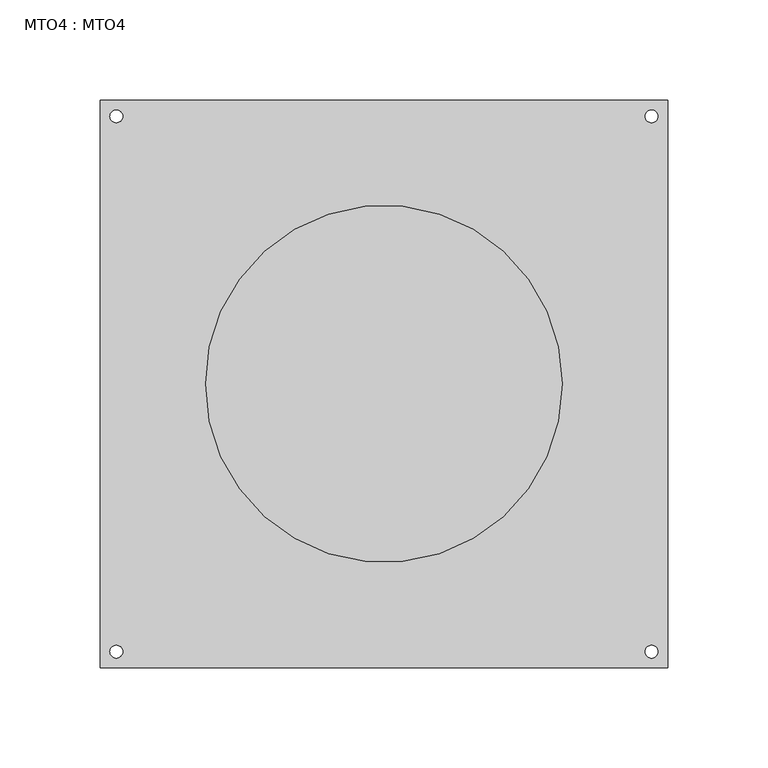
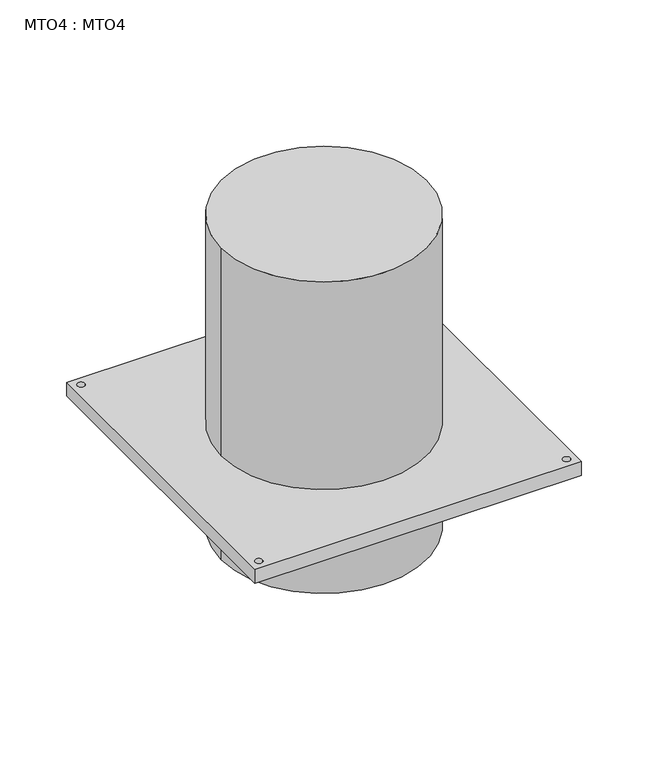
"""IFC4 building model written with IfcOpenShell, lengths in millimetres: proxy geometry, MTO4 : MTO4."""

from ifc_helpers import new_model, si_unit, point, frame, frame_2d, origin, origin_with_axes, origin_2d, place, context, project, spatial, polyline, circle_curve, trimmed, segment, composite_curve, outline, extrude, source, transform, mapped, element, save


def mto4_mto4_1b3fe28a(model_context):
    return source(origin(), model_context, "Body", "SweptSolid", [
        extrude(outline(composite_curve([segment(trimmed(circle_curve(origin_2d(), 50.8), [point((-50.8, 0.0))], [point((50.8, 0.0))], False, "CARTESIAN"), True, "CONTINUOUS"), segment(trimmed(circle_curve(origin_2d(), 50.8), [point((50.8, 0.0))], [point((-50.8, 0.0))], False, "CARTESIAN"), True, "CONTINUOUS")], self_intersect=False)), frame((0.0, 0.0, -107.95), z_axis=(0.0, 0.0, 1.0), x_axis=(1.0, 0.0, 0.0)), (0.0, 0.0, 1.0), 25.4),
        extrude(outline(composite_curve([segment(trimmed(circle_curve(origin_2d(), 88.8999965), [point((-88.8999965, 0.0))], [point((88.8999965, 0.0))], False, "CARTESIAN"), True, "CONTINUOUS"), segment(trimmed(circle_curve(origin_2d(), 88.8999965), [point((88.8999965, 0.0))], [point((-88.8999965, 0.0))], False, "CARTESIAN"), True, "CONTINUOUS")], self_intersect=False)), frame((0.0, 0.0, -82.55), z_axis=(0.0, 0.0, 1.0), x_axis=(1.0, 0.0, 0.0)), (0.0, 0.0, 1.0), 82.55),
        extrude(outline(composite_curve([segment(trimmed(circle_curve(origin_2d(), 88.8999965), [point((-88.8999965, 0.0))], [point((88.8999965, 0.0))], False, "CARTESIAN"), True, "CONTINUOUS"), segment(trimmed(circle_curve(origin_2d(), 88.8999965), [point((88.8999965, 0.0))], [point((-88.8999965, 0.0))], False, "CARTESIAN"), True, "CONTINUOUS")], self_intersect=False)), frame((0.0, 0.0, 12.7), z_axis=(0.0, 0.0, 1.0), x_axis=(1.0, 0.0, 0.0)), (0.0, 0.0, 1.0), 190.5),
        extrude(outline(polyline([(141.2875, 141.2875), (141.2875, -141.2875), (-141.2875, -141.2875), (-141.2875, 141.2875), (141.2875, 141.2875)]), holes=[composite_curve([segment(trimmed(circle_curve(frame_2d((133.3499947, 133.3499947)), 3.1749999), [point((130.1749948, 133.3499947))], [point((136.5249946, 133.3499947))], True, "CARTESIAN"), True, "CONTINUOUS"), segment(trimmed(circle_curve(frame_2d((133.3499947, 133.3499947)), 3.1749999), [point((136.5249946, 133.3499947))], [point((130.1749948, 133.3499947))], True, "CARTESIAN"), True, "CONTINUOUS")], self_intersect=False), composite_curve([segment(trimmed(circle_curve(frame_2d((-133.3499947, 133.3499947)), 3.1749999), [point((-136.5249946, 133.3499947))], [point((-130.1749948, 133.3499947))], True, "CARTESIAN"), True, "CONTINUOUS"), segment(trimmed(circle_curve(frame_2d((-133.3499947, 133.3499947)), 3.1749999), [point((-130.1749948, 133.3499947))], [point((-136.5249946, 133.3499947))], True, "CARTESIAN"), True, "CONTINUOUS")], self_intersect=False), composite_curve([segment(trimmed(circle_curve(frame_2d((-133.3499947, -133.3499947)), 3.1749999), [point((-136.5249946, -133.3499947))], [point((-130.1749948, -133.3499947))], True, "CARTESIAN"), True, "CONTINUOUS"), segment(trimmed(circle_curve(frame_2d((-133.3499947, -133.3499947)), 3.1749999), [point((-130.1749948, -133.3499947))], [point((-136.5249946, -133.3499947))], True, "CARTESIAN"), True, "CONTINUOUS")], self_intersect=False), composite_curve([segment(trimmed(circle_curve(frame_2d((133.3499947, -133.3499947)), 3.1749999), [point((130.1749948, -133.3499947))], [point((136.5249946, -133.3499947))], True, "CARTESIAN"), True, "CONTINUOUS"), segment(trimmed(circle_curve(frame_2d((133.3499947, -133.3499947)), 3.1749999), [point((136.5249946, -133.3499947))], [point((130.1749948, -133.3499947))], True, "CARTESIAN"), True, "CONTINUOUS")], self_intersect=False)]), origin_with_axes(), (0.0, 0.0, 1.0), 12.7),
    ])


if __name__ == "__main__":
    model = new_model("IFC4")
    model_context = context("Model", 3, world=origin())
    ifc_project = project(units=[si_unit("LENGTHUNIT", "METRE", prefix="MILLI")], contexts=[model_context])
    site = spatial("IfcSite", under=ifc_project)
    building = spatial("IfcBuilding", under=site)
    placement = place(None, origin())
    mto4_mto4_shape = mto4_mto4_1b3fe28a(model_context)
    element("IfcBuildingElementProxy", 1, Name="MTO4 : MTO4", ObjectType="MTO4 : MTO4", at=placement, inside=building, context=model_context, shape_type="MappedRepresentation", body=[
        mapped(mto4_mto4_shape, transform((0.0, 0.0, 0.0), x_axis=(1.0, 0.0, 0.0), y_axis=(0.0, 1.0, 0.0), z_axis=(0.0, 0.0, 1.0))),
    ])
    save(model, "model.ifc")
